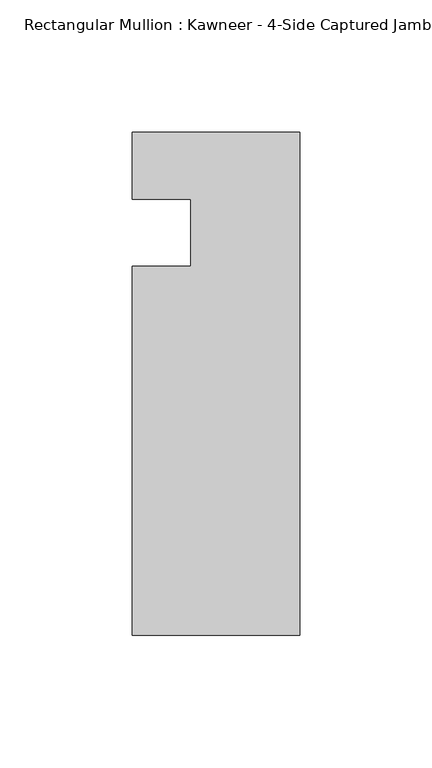
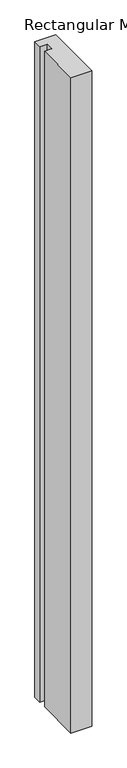
"""IFC4 building model written with IfcOpenShell, lengths in millimetres: member geometry."""

from ifc_helpers import new_model, si_unit, frame, origin, place, context, project, spatial, polyline, outline, extrude, source, transform, mapped, element, save


def member_5d569c09(model_context):
    return source(origin(), model_context, "Body", "SweptSolid", [
        extrude(outline(polyline([(0.0, -152.399995), (-63.5, -152.399995), (-63.5, -12.7), (-41.2751132, -12.7), (-41.2751132, 12.7), (-63.5, 12.7), (-63.5, 38.1), (0.0, 38.1), (0.0, -152.399995)])), frame((0.0, 0.0, -2113.59299), z_axis=(0.0, 0.0, 1.0), x_axis=(1.0, 0.0, 0.0)), (0.0, 0.0, 1.0), 2113.59299),
    ])


if __name__ == "__main__":
    model = new_model("IFC4")
    model_context = context("Model", 3, world=origin())
    ifc_project = project(units=[si_unit("LENGTHUNIT", "METRE", prefix="MILLI")], contexts=[model_context])
    site = spatial("IfcSite", under=ifc_project)
    building = spatial("IfcBuilding", under=site)
    placement = place(None, origin())
    member_shape = member_5d569c09(model_context)
    element("IfcMember", 1, ObjectType="Rectangular Mullion : Kawneer - 4-Side Captured Jamb Mullion - 7 1/2\" - Left", at=placement, inside=building, context=model_context, shape_type="MappedRepresentation", body=[
        mapped(member_shape, transform((0.0, 0.0, 0.0), x_axis=(1.0, 0.0, 0.0), y_axis=(0.0, 1.0, 0.0), z_axis=(0.0, 0.0, 1.0))),
    ])
    save(model, "model.ifc")
